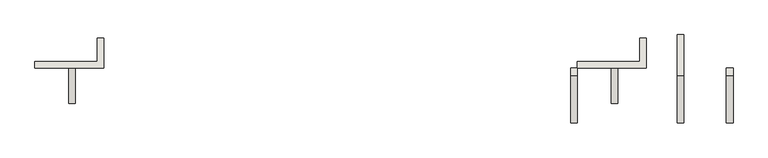
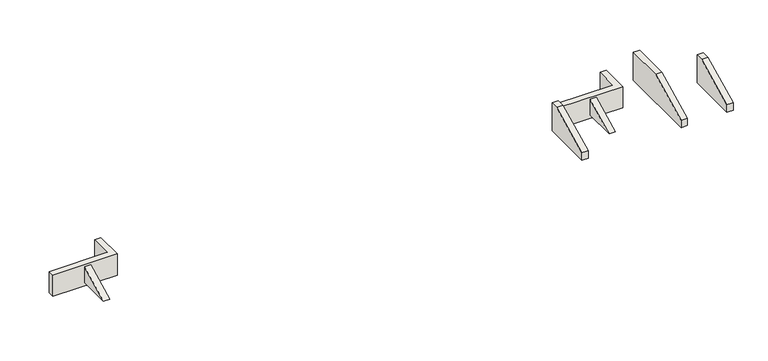
"""IFC4 building model written with IfcOpenShell, lengths in millimetres: wall geometry."""

from ifc_helpers import new_model, si_unit, frame, origin, place, context, project, spatial, polyline, outline, extrude, source, transform, mapped, element, save


def wall_366caf6d(model_context):
    return source(origin(), model_context, "Body", "SweptSolid", [
        extrude(outline(polyline([(-15100.2920477, -1050.0), (-13765.7022443, -382.7050983), (-13765.7022443, -1050.0), (-15100.2920477, -1050.0)])), frame((-11730.0, 0.0, 0.0), z_axis=(1.0, 0.0, 0.0), x_axis=(0.0, 1.0, 0.0)), (0.0, 0.0, 1.0), 250.0),
        extrude(outline(polyline([(-10410.0, -12630.7022443), (-10410.0, -13765.7022443), (-13000.0, -13765.7022443), (-13000.0, -13515.7022443), (-10660.0, -13515.7022443), (-10660.0, -12630.7022443), (-10410.0, -12630.7022443)])), frame((0.0, 0.0, -1200.0), z_axis=(0.0, 0.0, 1.0), x_axis=(1.0, 0.0, 0.0)), (0.0, 0.0, 1.0), 900.0),
        extrude(outline(polyline([(-15100.2920477, -1050.0), (-13765.7022443, -382.7050983), (-13765.7022443, -1050.0), (-15100.2920477, -1050.0)])), frame((8670.0, 0.0, 0.0), z_axis=(1.0, 0.0, 0.0), x_axis=(0.0, 1.0, 0.0)), (0.0, 0.0, 1.0), 250.0),
        extrude(outline(polyline([(9990.0, -12630.7022443), (9990.0, -13765.7022443), (7400.0, -13765.7022443), (7400.0, -13515.7022443), (9740.0, -13515.7022443), (9740.0, -12630.7022443), (9990.0, -12630.7022443)])), frame((0.0, 0.0, -1200.0), z_axis=(0.0, 0.0, 1.0), x_axis=(1.0, 0.0, 0.0)), (0.0, 0.0, 1.0), 900.0),
        extrude(outline(polyline([(-12510.7022443, -1200.0), (-15835.7022443, -1200.0), (-15835.7022443, -885.0), (-14065.7022443, 0.0), (-12510.7022443, 0.0), (-12510.7022443, -1200.0)])), frame((11150.0, 0.0, 0.0), z_axis=(1.0, 0.0, 0.0), x_axis=(0.0, 1.0, 0.0)), (0.0, 0.0, 1.0), 250.0),
        extrude(outline(polyline([(-13765.7022443, -1200.0), (-15835.7022443, -1200.0), (-15835.7022443, -885.0), (-14065.7022443, 0.0), (-13765.7022443, 0.0), (-13765.7022443, -1200.0)])), frame((13000.0, 0.0, 0.0), z_axis=(1.0, 0.0, 0.0), x_axis=(0.0, 1.0, 0.0)), (0.0, 0.0, 1.0), 250.0),
        extrude(outline(polyline([(-13765.7022443, -1200.0), (-15835.7022443, -1200.0), (-15835.7022443, -885.0), (-14065.7022443, 0.0), (-13765.7022443, 0.0), (-13765.7022443, -1200.0)])), frame((7150.0, 0.0, 0.0), z_axis=(1.0, 0.0, 0.0), x_axis=(0.0, 1.0, 0.0)), (0.0, 0.0, 1.0), 250.0),
    ])


if __name__ == "__main__":
    model = new_model("IFC4")
    model_context = context("Model", 3, world=origin())
    ifc_project = project(units=[si_unit("LENGTHUNIT", "METRE", prefix="MILLI")], contexts=[model_context])
    site = spatial("IfcSite", under=ifc_project)
    building = spatial("IfcBuilding", under=site)
    placement = place(None, origin())
    wall_shape = wall_366caf6d(model_context)
    element("IfcWall", 1, at=placement, inside=building, context=model_context, shape_type="MappedRepresentation", body=[
        mapped(wall_shape, transform((0.0, 0.0, 0.0), x_axis=(1.0, 0.0, 0.0), y_axis=(0.0, 1.0, 0.0), z_axis=(0.0, 0.0, 1.0))),
    ])
    save(model, "model.ifc")
